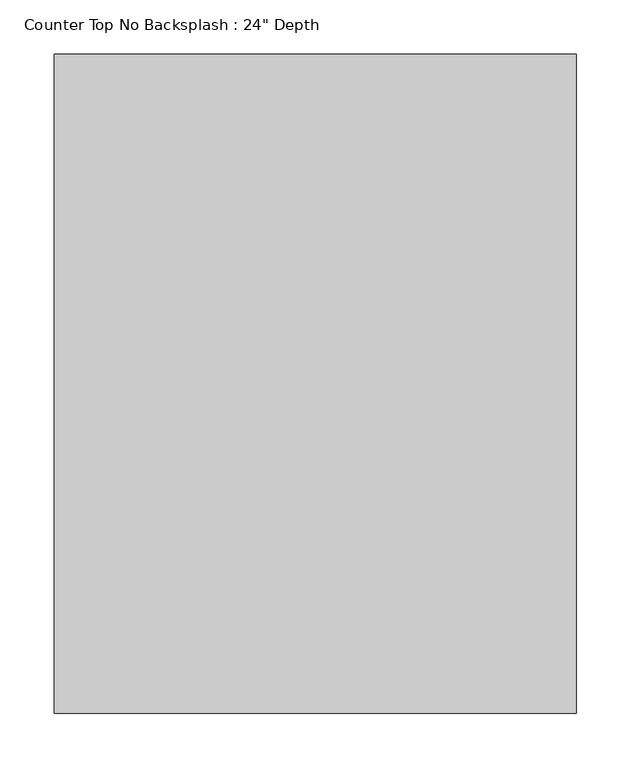
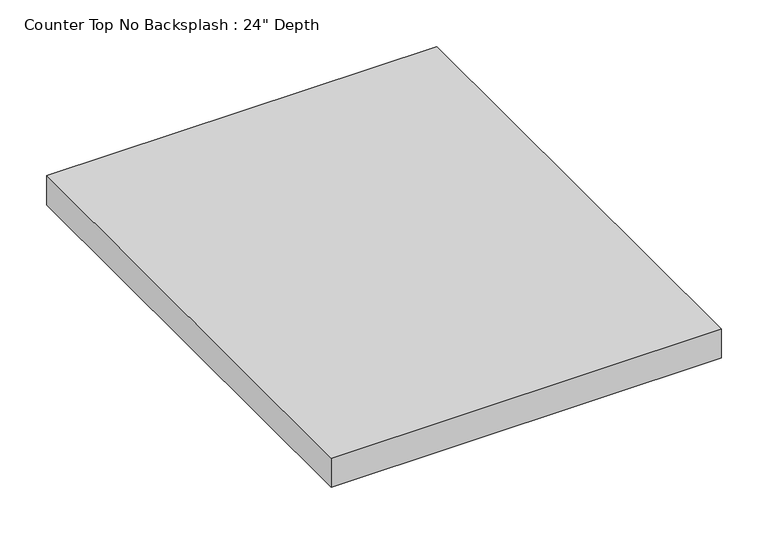
"""IFC4 building model written with IfcOpenShell, lengths in millimetres: furniture geometry."""

from ifc_helpers import new_model, si_unit, frame, origin, place, context, project, spatial, polyline, outline, extrude, source, transform, mapped, element, save


def furniture_14f49e98(model_context):
    return source(origin(), model_context, "Body", "SweptSolid", [
        extrude(outline(polyline([(-717.8622951, 0.0), (-717.8622951, -609.6), (-1200.4622951, -609.6), (-1200.4622951, 0.0), (-717.8622951, 0.0)])), frame((0.0, 0.0, 876.3), z_axis=(0.0, 0.0, 1.0), x_axis=(1.0, 0.0, 0.0)), (0.0, 0.0, 1.0), 38.1),
    ])


if __name__ == "__main__":
    model = new_model("IFC4")
    model_context = context("Model", 3, world=origin())
    ifc_project = project(units=[si_unit("LENGTHUNIT", "METRE", prefix="MILLI")], contexts=[model_context])
    site = spatial("IfcSite", under=ifc_project)
    building = spatial("IfcBuilding", under=site)
    placement = place(None, origin())
    furniture_shape = furniture_14f49e98(model_context)
    element("IfcFurniture", 1, ObjectType="Counter Top No Backsplash : 24\" Depth", at=placement, inside=building, context=model_context, shape_type="MappedRepresentation", body=[
        mapped(furniture_shape, transform((0.0, 0.0, 0.0), x_axis=(1.0, 0.0, 0.0), y_axis=(0.0, 1.0, 0.0), z_axis=(0.0, 0.0, 1.0))),
    ])
    save(model, "model.ifc")
